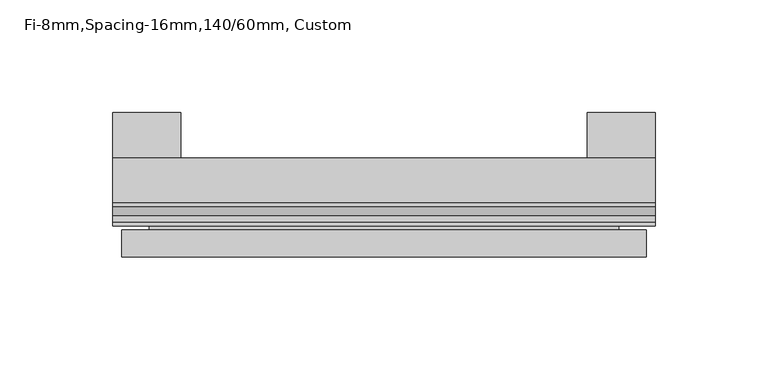
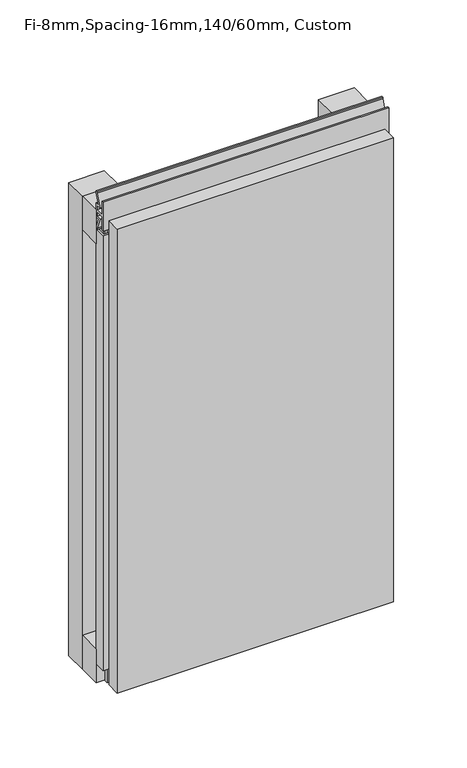
"""IFC4 building model written with IfcOpenShell, lengths in millimetres: plate geometry, Fi-8mm,Spacing-16mm,140/60mm, Custom."""

from ifc_helpers import new_model, si_unit, frame, origin, origin_with_axes, place, context, project, spatial, polyline, outline, extrude, faceted_brep, source, transform, mapped, element, save


def fi_8mm_spacing_16mm_140_60mm_custom_76dd3172(model_context):
    return source(origin(), model_context, "Body", "SolidModel", [
        extrude(outline(polyline([(-120.0, -40.0), (-120.0, -20.0), (120.0, -20.0), (120.0, -40.0), (-120.0, -40.0)])), frame((0.0, 0.0, 390.0), z_axis=(0.0, 0.0, 1.0), x_axis=(1.0, 0.0, 0.0)), (0.0, 0.0, 1.0), 30.0),
        extrude(outline(polyline([(-120.0, -40.0), (-120.0, -20.0), (120.0, -20.0), (120.0, -40.0), (-120.0, -40.0)])), origin_with_axes(), (0.0, 0.0, 1.0), 30.0),
        extrude(outline(polyline([(90.0, 0.0), (120.0, 0.0), (120.0, -20.0), (90.0, -20.0), (90.0, 0.0)])), origin_with_axes(), (0.0, 0.0, 1.0), 420.0),
        extrude(outline(polyline([(-90.0, 0.0), (-90.0, -20.0), (-120.0, -20.0), (-120.0, 0.0), (-90.0, 0.0)])), origin_with_axes(), (0.0, 0.0, 1.0), 420.0),
        extrude(outline(polyline([(-113.700916, -40.0), (-113.700916, -43.5), (-104.6441401, -40.0553267), (-97.008452, -40.0553267), (-97.008452, -41.4553267), (-104.4296606, -41.4553267), (-115.100916, -45.5140545), (-115.100916, -41.4), (-118.5843193, -41.4), (-118.5843193, -48.7), (-106.5843193, -48.7), (-106.5843193, -50.1), (-120.0, -50.1), (-120.0, -40.0), (-113.700916, -40.0)])), frame((0.0, 0.0, 16.9558599), z_axis=(0.0, 0.0, 1.0), x_axis=(1.0, 0.0, 0.0)), (0.0, 0.0, 1.0), 386.0882802),
        extrude(outline(polyline([(-48.7, 420.899084), (-41.4, 420.899084), (-41.4, 424.899084), (-45.5140545, 424.899084), (-41.4553267, 435.5703394), (-41.4553267, 436.9558599), (-40.0553267, 436.9558599), (-40.0553267, 435.3558599), (-43.5, 426.299084), (-40.0, 426.299084), (-40.0, 413.700916), (-43.5, 413.700916), (-40.0553267, 404.6441401), (-40.0553267, 403.0441401), (-41.4553267, 403.0441401), (-41.4553267, 404.4296606), (-45.5140545, 415.100916), (-41.4, 415.100916), (-41.4, 419.100916), (-48.7, 419.100916), (-48.7, 407.100916), (-50.1, 407.100916), (-50.1, 432.899084), (-48.7, 432.899084), (-48.7, 420.899084)])), frame((-120.0, 0.0, 0.0), z_axis=(1.0, 0.0, 0.0), x_axis=(0.0, 1.0, 0.0)), (0.0, 0.0, 1.0), 240.0),
        faceted_brep([(116.0, -45.9, 416.0), (-116.0, -45.9, 416.0), (-116.0, -48.7, 416.0), (116.0, -48.7, 416.0), (-116.0, -63.9, 416.0), (116.0, -63.9, 416.0), (116.0, -51.9, 416.0), (-116.0, -51.9, 416.0), (-116.0, -45.9, 4.0), (116.0, -45.9, 4.0), (116.0, -48.7, 4.0), (-116.0, -48.7, 4.0), (116.0, -63.9, 4.0), (-116.0, -63.9, 4.0), (-116.0, -51.9, 4.0), (116.0, -51.9, 4.0), (104.0, -51.9, 404.0), (104.0, -51.9, 16.0), (104.0, -48.7, 16.0), (104.0, -48.7, 404.0), (-104.0, -51.9, 16.0), (-104.0, -48.7, 16.0), (-104.0, -51.9, 404.0), (-104.0, -48.7, 404.0)], [[[0, 1, 2, 3]], [[4, 5, 6, 7]], [[8, 9, 10, 11]], [[12, 13, 14, 15]], [[1, 0, 9, 8]], [[1, 8, 11, 2]], [[13, 4, 7, 14]], [[5, 4, 13, 12]], [[9, 0, 3, 10]], [[5, 12, 15, 6]], [[16, 17, 18, 19]], [[18, 17, 20, 21]], [[21, 20, 22, 23]], [[16, 19, 23, 22]], [[7, 6, 15, 14], [17, 16, 22, 20]], [[3, 2, 11, 10], [19, 18, 21, 23]]]),
    ])


if __name__ == "__main__":
    model = new_model("IFC4")
    model_context = context("Model", 3, world=origin())
    ifc_project = project(units=[si_unit("LENGTHUNIT", "METRE", prefix="MILLI")], contexts=[model_context])
    site = spatial("IfcSite", under=ifc_project)
    building = spatial("IfcBuilding", under=site)
    placement = place(None, origin())
    fi_8mm_spacing_16mm_140_60mm_custom_shape = fi_8mm_spacing_16mm_140_60mm_custom_76dd3172(model_context)
    element("IfcPlate", 1, ObjectType="Fi-8mm,Spacing-16mm,140/60mm, Custom", at=placement, inside=building, context=model_context, shape_type="MappedRepresentation", body=[
        mapped(fi_8mm_spacing_16mm_140_60mm_custom_shape, transform((0.0, 0.0, 0.0), x_axis=(1.0, 0.0, 0.0), y_axis=(0.0, 1.0, 0.0), z_axis=(0.0, 0.0, 1.0))),
    ])
    save(model, "model.ifc")
